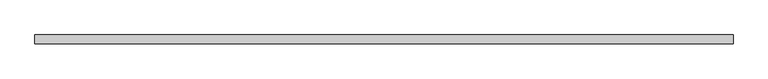
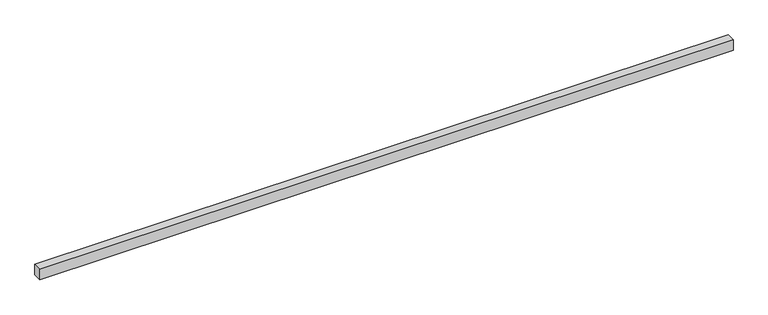
"""IFC4 building model written with IfcOpenShell, lengths in millimetres: proxy geometry."""

from ifc_helpers import new_model, si_unit, origin, origin_with_axes, place, context, project, spatial, polyline, outline, extrude, source, transform, mapped, element, save


def generic_models_7553ab42(model_context):
    return source(origin(), model_context, "Body", "SweptSolid", [
        extrude(outline(polyline([(6400.0, -40.0), (0.0, -40.0), (0.0, 40.0), (6400.0, 40.0), (6400.0, -40.0)])), origin_with_axes(), (0.0, 0.0, 1.0), 100.0),
    ])


if __name__ == "__main__":
    model = new_model("IFC4")
    model_context = context("Model", 3, world=origin())
    ifc_project = project(units=[si_unit("LENGTHUNIT", "METRE", prefix="MILLI")], contexts=[model_context])
    site = spatial("IfcSite", under=ifc_project)
    building = spatial("IfcBuilding", under=site)
    placement = place(None, origin())
    generic_models_shape = generic_models_7553ab42(model_context)
    element("IfcBuildingElementProxy", 1, Name="Generic Models", at=placement, inside=building, context=model_context, shape_type="MappedRepresentation", body=[
        mapped(generic_models_shape, transform((0.0, 0.0, 0.0), x_axis=(1.0, 0.0, 0.0), y_axis=(0.0, 1.0, 0.0), z_axis=(0.0, 0.0, 1.0))),
    ])
    save(model, "model.ifc")
